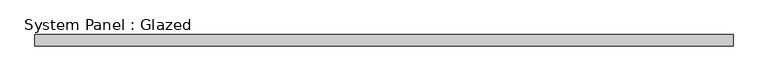
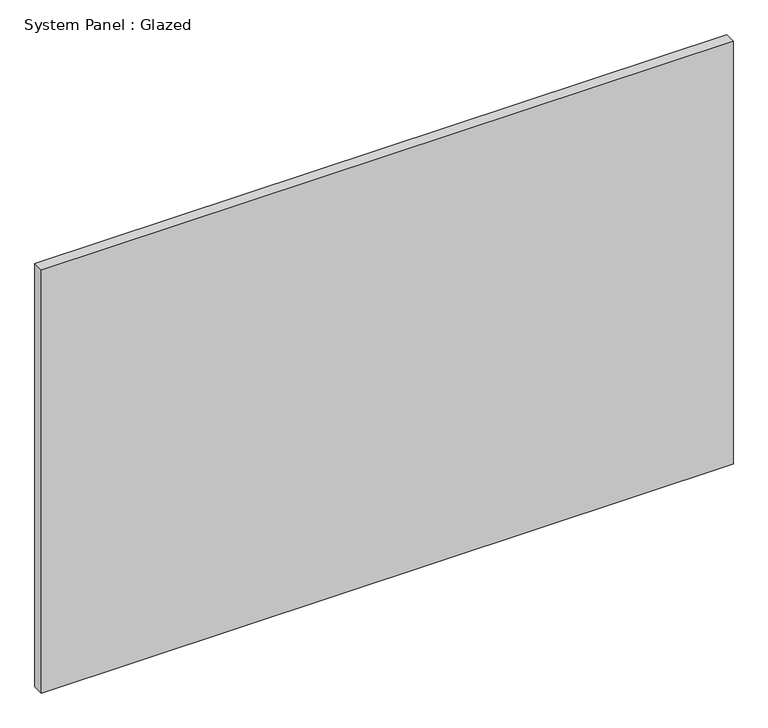
"""IFC4 building model written with IfcOpenShell, lengths in millimetres: plate geometry, System Panel : Glazed."""

import ifcopenshell
import ifcopenshell.guid

model = None  # the IFC model being written
_history = None  # IfcOwnerHistory: only IFC2X3 demands one
_inside = {}  # id of a spatial element -> (the spatial element, [elements in it])
_under = {}  # id of a project, library or spatial element -> (it, [spatial elements below it])
_declared = {}  # id of a project -> (the project, [libraries it declares])
_typed = {}  # id of a type object -> (the type object, [elements of that type])
_made_of = {}  # id of a material, layer set ... -> (it, [elements and type objects made of it])


def new_model(schema):
    """Start an empty IFC model of exactly this schema.

    Asked for "IFC4X3", IfcOpenShell would pick the latest addendum, in which some entities
    have other attributes; the version numbers below select the first issue.
    IFC2X3 requires an IfcOwnerHistory on every rooted entity: one is made here for all.
    """
    global model, _history
    if schema == "IFC4X3":
        model = ifcopenshell.file(schema_version=(4, 3, 0, 0))
    else:
        model = ifcopenshell.file(schema=schema)
    _inside.clear()
    _under.clear()
    _declared.clear()
    _typed.clear()
    _made_of.clear()
    _history = None
    if model.schema == "IFC2X3":
        org = make("IfcOrganization", Name="unknown")
        user = make(
            "IfcPersonAndOrganization",
            ThePerson=make("IfcPerson", FamilyName="unknown"),
            TheOrganization=org,
        )
        app = make(
            "IfcApplication",
            ApplicationDeveloper=org,
            Version="unknown",
            ApplicationFullName="unknown",
            ApplicationIdentifier="unknown",
        )
        _history = make(
            "IfcOwnerHistory",
            OwningUser=user,
            OwningApplication=app,
            ChangeAction="ADDED",
            CreationDate=0,
        )
    return model


def make(cls, **values):
    """One entity of the class cls with the attributes given. An attribute that is None is left unset."""
    return model.create_entity(
        cls, **{name: value for name, value in values.items() if value is not None}
    )


def rooted(cls, **values):
    """An entity with a GlobalId (a new one), such as an element, a storey or a relation."""
    return make(cls, GlobalId=ifcopenshell.guid.new(), OwnerHistory=_history, **values)


def si_unit(unit_type, name, prefix=None):
    """IfcSIUnit, for example si_unit("LENGTHUNIT", "METRE", prefix="MILLI")."""
    return make("IfcSIUnit", UnitType=unit_type, Prefix=prefix, Name=name)


def assignment(units):
    """IfcUnitAssignment: the units of a project."""
    return None if units is None else make("IfcUnitAssignment", Units=units)


def point(xyz):
    """IfcCartesianPoint."""
    return None if xyz is None else make("IfcCartesianPoint", Coordinates=xyz)


def direction(xyz):
    """IfcDirection."""
    return None if xyz is None else make("IfcDirection", DirectionRatios=xyz)


def frame(location, z_axis=None, x_axis=None):
    """IfcAxis2Placement3D, a coordinate frame: its origin and axes. An axis left out is left unset."""
    return make(
        "IfcAxis2Placement3D",
        Location=point(location),
        Axis=direction(z_axis),
        RefDirection=direction(x_axis),
    )


def origin():
    """The frame at (0, 0, 0) with its axes left unset."""
    return frame((0.0, 0.0, 0.0))


def origin_with_axes():
    """The frame at (0, 0, 0) with the z axis (0, 0, 1) and the x axis (1, 0, 0) written out."""
    return frame((0.0, 0.0, 0.0), z_axis=(0.0, 0.0, 1.0), x_axis=(1.0, 0.0, 0.0))


def place(relative_to, where):
    """IfcLocalPlacement: puts the frame where relative to a parent placement (None: the world)."""
    return make(
        "IfcLocalPlacement", PlacementRelTo=relative_to, RelativePlacement=where
    )


def context(
    kind, dimensions, precision=None, world=None, true_north=None, identifier=None
):
    """IfcGeometricRepresentationContext, for example the 3D "Model" context."""
    return make(
        "IfcGeometricRepresentationContext",
        ContextIdentifier=identifier,
        ContextType=kind,
        CoordinateSpaceDimension=dimensions,
        Precision=precision,
        WorldCoordinateSystem=world,
        TrueNorth=true_north,
    )


def project(units=None, contexts=None):
    """IfcProject with its units and contexts."""
    return rooted(
        "IfcProject",
        Name="project",
        RepresentationContexts=contexts,
        UnitsInContext=assignment(units),
    )


def spatial(cls, under=None, at=None, **own):
    """A site, building, storey or space (cls), placed at a placement, below another one or the project."""
    s = rooted(cls, ObjectPlacement=at, **own)
    if under is not None:
        _under.setdefault(under.id(), (under, []))[1].append(s)
    return s


def polyline(points):
    """IfcPolyline through the points."""
    return make("IfcPolyline", Points=[point(p) for p in points])


def outline(outer, holes=None, kind="AREA"):
    """IfcArbitraryClosedProfileDef: a profile drawn as a closed curve; with holes, ...WithVoids."""
    if holes is None:
        return make("IfcArbitraryClosedProfileDef", ProfileType=kind, OuterCurve=outer)
    return make(
        "IfcArbitraryProfileDefWithVoids",
        ProfileType=kind,
        OuterCurve=outer,
        InnerCurves=holes,
    )


def extrude(swept, where, along, depth):
    """IfcExtrudedAreaSolid: the profile swept, set in the frame where, extruded along a direction by depth."""
    return make(
        "IfcExtrudedAreaSolid",
        SweptArea=swept,
        Position=where,
        ExtrudedDirection=direction(along),
        Depth=depth,
    )


def shape(context_of_items, identifier, shape_type, items):
    """IfcShapeRepresentation: the items that make up one representation, for example the "Body"."""
    return make(
        "IfcShapeRepresentation",
        ContextOfItems=context_of_items,
        RepresentationIdentifier=identifier,
        RepresentationType=shape_type,
        Items=items,
    )


def source(mapping_origin, context_of_items, identifier, shape_type, items):
    """IfcRepresentationMap: a shape defined once, which mapped items show again and again."""
    return make(
        "IfcRepresentationMap",
        MappingOrigin=mapping_origin,
        MappedRepresentation=shape(context_of_items, identifier, shape_type, items),
    )


def transform(
    local_origin,
    x_axis=None,
    y_axis=None,
    z_axis=None,
    scale=None,
    scale2=None,
    scale3=None,
    uniform=True,
):
    """IfcCartesianTransformationOperator3D, or its non-uniform kind. x_axis, y_axis, z_axis: its Axis1, 2, 3."""
    if uniform:
        return make(
            "IfcCartesianTransformationOperator3D",
            Axis1=direction(x_axis),
            Axis2=direction(y_axis),
            LocalOrigin=point(local_origin),
            Scale=scale,
            Axis3=direction(z_axis),
        )
    return make(
        "IfcCartesianTransformationOperator3DnonUniform",
        Axis1=direction(x_axis),
        Axis2=direction(y_axis),
        LocalOrigin=point(local_origin),
        Scale=scale,
        Axis3=direction(z_axis),
        Scale2=scale2,
        Scale3=scale3,
    )


def mapped(mapping_source, mapping_target):
    """IfcMappedItem: shows the shape of a source again, moved by a transform."""
    return make(
        "IfcMappedItem", MappingSource=mapping_source, MappingTarget=mapping_target
    )


def made_of(thing, what):
    """Note that an element or type object is made of a material, layer set ...; save() writes the relation."""
    if what is not None:
        _made_of.setdefault(what.id(), (what, []))[1].append(thing)
    return thing


def element(
    cls,
    number,
    at=None,
    inside=None,
    cuts=None,
    type_object=None,
    material=None,
    context=None,
    identifier="Body",
    shape_type=None,
    held_by="IfcProductDefinitionShape",
    body=None,
    shapes=None,
    **own,
):
    """One element of the class cls, such as IfcWall. Its Tag is "e" and its number.

    at: its placement. inside: the storey or other place that contains it. cuts: it is an
    opening in that element (IfcRelVoidsElement). A single representation is given by context,
    identifier, shape_type and body (its items); several are given by shapes. held_by: the class
    of the entity that holds the representations. save() writes the other relations.
    """
    e = rooted(cls, Tag="e%d" % number, ObjectPlacement=at, **own)
    if body is not None:
        shapes = [shape(context, identifier, shape_type, body)]
    if shapes is not None:
        e.Representation = make(held_by, Representations=shapes)
    if inside is not None:
        _inside.setdefault(inside.id(), (inside, []))[1].append(e)
    if cuts is not None:
        rooted(
            "IfcRelVoidsElement", RelatingBuildingElement=cuts, RelatedOpeningElement=e
        )
    if type_object is not None:
        _typed.setdefault(type_object.id(), (type_object, []))[1].append(e)
    return made_of(e, material)


def aggregate(whole, parts):
    """IfcRelAggregates: a whole, such as a stair, and the parts it consists of."""
    return rooted("IfcRelAggregates", RelatingObject=whole, RelatedObjects=parts)


def save(model, path):
    """Write the relations noted so far, then the file.

    IfcRelAggregates (storeys below a building ...), IfcRelContainedInSpatialStructure (elements
    in a storey), IfcRelDefinesByType, IfcRelAssociatesMaterial and IfcRelDeclares: one each for
    every whole, place, type object, material and project.
    """
    for whole, parts in _under.values():
        aggregate(whole, parts)
    for where, things in _inside.values():
        rooted(
            "IfcRelContainedInSpatialStructure",
            RelatedElements=things,
            RelatingStructure=where,
        )
    for kind, things in _typed.values():
        rooted("IfcRelDefinesByType", RelatedObjects=things, RelatingType=kind)
    for what, things in _made_of.values():
        rooted("IfcRelAssociatesMaterial", RelatedObjects=things, RelatingMaterial=what)
    for by, libraries in _declared.values():
        rooted("IfcRelDeclares", RelatingContext=by, RelatedDefinitions=libraries)
    model.write(path)


def system_panel_glazed_fa816e52(model_context):
    return source(origin(), model_context, "Body", "SweptSolid", [
        extrude(outline(polyline([(781.562846, 24.5), (-781.562846, 24.5), (-781.562846, 49.5), (781.562846, 49.5), (781.562846, 24.5)])), origin_with_axes(), (0.0, 0.0, 1.0), 1010.85),
    ])


if __name__ == "__main__":
    model = new_model("IFC4")
    model_context = context("Model", 3, world=origin())
    ifc_project = project(units=[si_unit("LENGTHUNIT", "METRE", prefix="MILLI")], contexts=[model_context])
    site = spatial("IfcSite", under=ifc_project)
    building = spatial("IfcBuilding", under=site)
    placement = place(None, origin())
    system_panel_glazed_shape = system_panel_glazed_fa816e52(model_context)
    element("IfcPlate", 1, ObjectType="System Panel : Glazed", at=placement, inside=building, context=model_context, shape_type="MappedRepresentation", body=[
        mapped(system_panel_glazed_shape, transform((0.0, 0.0, 0.0), x_axis=(1.0, 0.0, 0.0), y_axis=(0.0, 1.0, 0.0), z_axis=(0.0, 0.0, 1.0))),
    ])
    save(model, "model.ifc")
